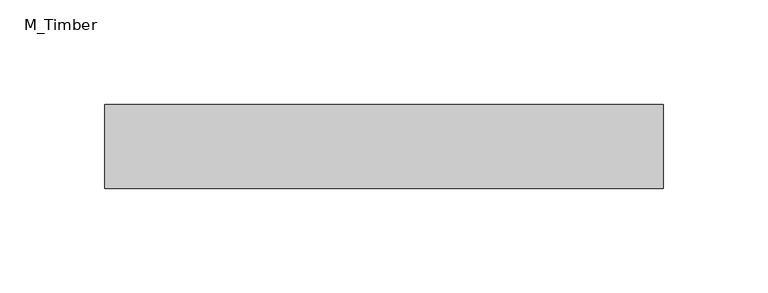
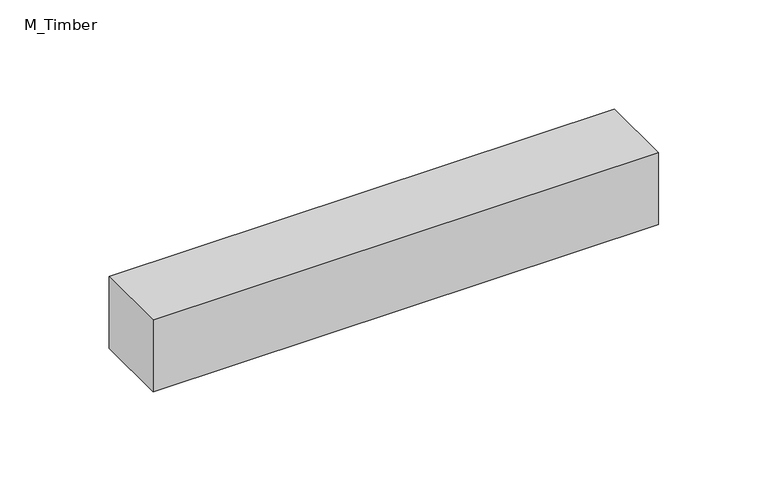
"""IFC4 building model written with IfcOpenShell, lengths in millimetres: beam geometry, M_Timber."""

from ifc_helpers import new_model, si_unit, frame, origin, place, context, project, spatial, polyline, outline, extrude, source, transform, mapped, element, save


def m_timber_5bfe660a(model_context):
    return source(origin(), model_context, "Body", "SweptSolid", [
        extrude(outline(polyline([(133.2446586, 20.0), (133.2446586, -20.0), (-133.2446586, -20.0), (-133.2446586, 20.0), (133.2446586, 20.0)])), frame((0.0, 0.0, -20.0), z_axis=(0.0, 0.0, 1.0), x_axis=(1.0, 0.0, 0.0)), (0.0, 0.0, 1.0), 40.0),
    ])


if __name__ == "__main__":
    model = new_model("IFC4")
    model_context = context("Model", 3, world=origin())
    ifc_project = project(units=[si_unit("LENGTHUNIT", "METRE", prefix="MILLI")], contexts=[model_context])
    site = spatial("IfcSite", under=ifc_project)
    building = spatial("IfcBuilding", under=site)
    placement = place(None, origin())
    m_timber_shape = m_timber_5bfe660a(model_context)
    element("IfcBeam", 1, ObjectType="M_Timber", at=placement, inside=building, context=model_context, shape_type="MappedRepresentation", body=[
        mapped(m_timber_shape, transform((0.0, 0.0, 0.0), x_axis=(1.0, 0.0, 0.0), y_axis=(0.0, 1.0, 0.0), z_axis=(0.0, 0.0, 1.0))),
    ])
    save(model, "model.ifc")
